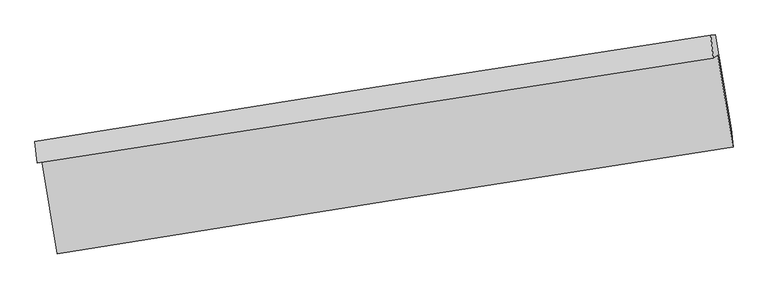
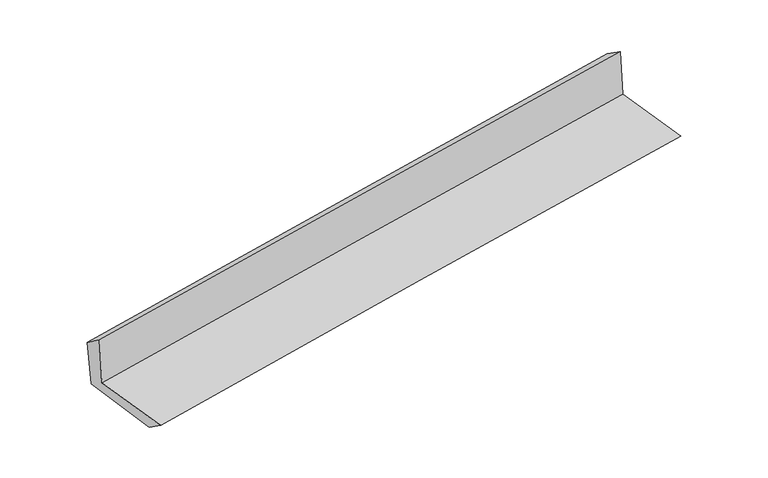
"""IFC4 building model written with IfcOpenShell, lengths in millimetres: proxy geometry."""

import ifcopenshell
import ifcopenshell.guid

model = None  # the IFC model being written
_history = None  # IfcOwnerHistory: only IFC2X3 demands one
_inside = {}  # id of a spatial element -> (the spatial element, [elements in it])
_under = {}  # id of a project, library or spatial element -> (it, [spatial elements below it])
_declared = {}  # id of a project -> (the project, [libraries it declares])
_typed = {}  # id of a type object -> (the type object, [elements of that type])
_made_of = {}  # id of a material, layer set ... -> (it, [elements and type objects made of it])


def new_model(schema):
    """Start an empty IFC model of exactly this schema.

    Asked for "IFC4X3", IfcOpenShell would pick the latest addendum, in which some entities
    have other attributes; the version numbers below select the first issue.
    IFC2X3 requires an IfcOwnerHistory on every rooted entity: one is made here for all.
    """
    global model, _history
    if schema == "IFC4X3":
        model = ifcopenshell.file(schema_version=(4, 3, 0, 0))
    else:
        model = ifcopenshell.file(schema=schema)
    _inside.clear()
    _under.clear()
    _declared.clear()
    _typed.clear()
    _made_of.clear()
    _history = None
    if model.schema == "IFC2X3":
        org = make("IfcOrganization", Name="unknown")
        user = make(
            "IfcPersonAndOrganization",
            ThePerson=make("IfcPerson", FamilyName="unknown"),
            TheOrganization=org,
        )
        app = make(
            "IfcApplication",
            ApplicationDeveloper=org,
            Version="unknown",
            ApplicationFullName="unknown",
            ApplicationIdentifier="unknown",
        )
        _history = make(
            "IfcOwnerHistory",
            OwningUser=user,
            OwningApplication=app,
            ChangeAction="ADDED",
            CreationDate=0,
        )
    return model


def make(cls, **values):
    """One entity of the class cls with the attributes given. An attribute that is None is left unset."""
    return model.create_entity(
        cls, **{name: value for name, value in values.items() if value is not None}
    )


def rooted(cls, **values):
    """An entity with a GlobalId (a new one), such as an element, a storey or a relation."""
    return make(cls, GlobalId=ifcopenshell.guid.new(), OwnerHistory=_history, **values)


def si_unit(unit_type, name, prefix=None):
    """IfcSIUnit, for example si_unit("LENGTHUNIT", "METRE", prefix="MILLI")."""
    return make("IfcSIUnit", UnitType=unit_type, Prefix=prefix, Name=name)


def assignment(units):
    """IfcUnitAssignment: the units of a project."""
    return None if units is None else make("IfcUnitAssignment", Units=units)


def point(xyz):
    """IfcCartesianPoint."""
    return None if xyz is None else make("IfcCartesianPoint", Coordinates=xyz)


def direction(xyz):
    """IfcDirection."""
    return None if xyz is None else make("IfcDirection", DirectionRatios=xyz)


def frame(location, z_axis=None, x_axis=None):
    """IfcAxis2Placement3D, a coordinate frame: its origin and axes. An axis left out is left unset."""
    return make(
        "IfcAxis2Placement3D",
        Location=point(location),
        Axis=direction(z_axis),
        RefDirection=direction(x_axis),
    )


def origin():
    """The frame at (0, 0, 0) with its axes left unset."""
    return frame((0.0, 0.0, 0.0))


def place(relative_to, where):
    """IfcLocalPlacement: puts the frame where relative to a parent placement (None: the world)."""
    return make(
        "IfcLocalPlacement", PlacementRelTo=relative_to, RelativePlacement=where
    )


def context(
    kind, dimensions, precision=None, world=None, true_north=None, identifier=None
):
    """IfcGeometricRepresentationContext, for example the 3D "Model" context."""
    return make(
        "IfcGeometricRepresentationContext",
        ContextIdentifier=identifier,
        ContextType=kind,
        CoordinateSpaceDimension=dimensions,
        Precision=precision,
        WorldCoordinateSystem=world,
        TrueNorth=true_north,
    )


def project(units=None, contexts=None):
    """IfcProject with its units and contexts."""
    return rooted(
        "IfcProject",
        Name="project",
        RepresentationContexts=contexts,
        UnitsInContext=assignment(units),
    )


def spatial(cls, under=None, at=None, **own):
    """A site, building, storey or space (cls), placed at a placement, below another one or the project."""
    s = rooted(cls, ObjectPlacement=at, **own)
    if under is not None:
        _under.setdefault(under.id(), (under, []))[1].append(s)
    return s


def shape(context_of_items, identifier, shape_type, items):
    """IfcShapeRepresentation: the items that make up one representation, for example the "Body"."""
    return make(
        "IfcShapeRepresentation",
        ContextOfItems=context_of_items,
        RepresentationIdentifier=identifier,
        RepresentationType=shape_type,
        Items=items,
    )


def source(mapping_origin, context_of_items, identifier, shape_type, items):
    """IfcRepresentationMap: a shape defined once, which mapped items show again and again."""
    return make(
        "IfcRepresentationMap",
        MappingOrigin=mapping_origin,
        MappedRepresentation=shape(context_of_items, identifier, shape_type, items),
    )


def transform(
    local_origin,
    x_axis=None,
    y_axis=None,
    z_axis=None,
    scale=None,
    scale2=None,
    scale3=None,
    uniform=True,
):
    """IfcCartesianTransformationOperator3D, or its non-uniform kind. x_axis, y_axis, z_axis: its Axis1, 2, 3."""
    if uniform:
        return make(
            "IfcCartesianTransformationOperator3D",
            Axis1=direction(x_axis),
            Axis2=direction(y_axis),
            LocalOrigin=point(local_origin),
            Scale=scale,
            Axis3=direction(z_axis),
        )
    return make(
        "IfcCartesianTransformationOperator3DnonUniform",
        Axis1=direction(x_axis),
        Axis2=direction(y_axis),
        LocalOrigin=point(local_origin),
        Scale=scale,
        Axis3=direction(z_axis),
        Scale2=scale2,
        Scale3=scale3,
    )


def mapped(mapping_source, mapping_target):
    """IfcMappedItem: shows the shape of a source again, moved by a transform."""
    return make(
        "IfcMappedItem", MappingSource=mapping_source, MappingTarget=mapping_target
    )


def made_of(thing, what):
    """Note that an element or type object is made of a material, layer set ...; save() writes the relation."""
    if what is not None:
        _made_of.setdefault(what.id(), (what, []))[1].append(thing)
    return thing


def element(
    cls,
    number,
    at=None,
    inside=None,
    cuts=None,
    type_object=None,
    material=None,
    context=None,
    identifier="Body",
    shape_type=None,
    held_by="IfcProductDefinitionShape",
    body=None,
    shapes=None,
    **own,
):
    """One element of the class cls, such as IfcWall. Its Tag is "e" and its number.

    at: its placement. inside: the storey or other place that contains it. cuts: it is an
    opening in that element (IfcRelVoidsElement). A single representation is given by context,
    identifier, shape_type and body (its items); several are given by shapes. held_by: the class
    of the entity that holds the representations. save() writes the other relations.
    """
    e = rooted(cls, Tag="e%d" % number, ObjectPlacement=at, **own)
    if body is not None:
        shapes = [shape(context, identifier, shape_type, body)]
    if shapes is not None:
        e.Representation = make(held_by, Representations=shapes)
    if inside is not None:
        _inside.setdefault(inside.id(), (inside, []))[1].append(e)
    if cuts is not None:
        rooted(
            "IfcRelVoidsElement", RelatingBuildingElement=cuts, RelatedOpeningElement=e
        )
    if type_object is not None:
        _typed.setdefault(type_object.id(), (type_object, []))[1].append(e)
    return made_of(e, material)


def aggregate(whole, parts):
    """IfcRelAggregates: a whole, such as a stair, and the parts it consists of."""
    return rooted("IfcRelAggregates", RelatingObject=whole, RelatedObjects=parts)


def save(model, path):
    """Write the relations noted so far, then the file.

    IfcRelAggregates (storeys below a building ...), IfcRelContainedInSpatialStructure (elements
    in a storey), IfcRelDefinesByType, IfcRelAssociatesMaterial and IfcRelDeclares: one each for
    every whole, place, type object, material and project.
    """
    for whole, parts in _under.values():
        aggregate(whole, parts)
    for where, things in _inside.values():
        rooted(
            "IfcRelContainedInSpatialStructure",
            RelatedElements=things,
            RelatingStructure=where,
        )
    for kind, things in _typed.values():
        rooted("IfcRelDefinesByType", RelatedObjects=things, RelatingType=kind)
    for what, things in _made_of.values():
        rooted("IfcRelAssociatesMaterial", RelatedObjects=things, RelatingMaterial=what)
    for by, libraries in _declared.values():
        rooted("IfcRelDeclares", RelatingContext=by, RelatedDefinitions=libraries)
    model.write(path)


def plane_surface(at):
    """IfcPlane: the flat surface through the origin of the frame at, square to its z axis."""
    return make("IfcPlane", Position=at)


def spline_curve(degree, points, multiplicities, knots, weights=None):
    """IfcBSplineCurveWithKnots; with weights, IfcRationalBSplineCurveWithKnots."""
    own = dict(
        Degree=degree,
        ControlPointsList=[point(p) for p in points],
        CurveForm="UNSPECIFIED",
        ClosedCurve=False,
        SelfIntersect=False,
        KnotMultiplicities=multiplicities,
        Knots=knots,
        KnotSpec="UNSPECIFIED",
    )
    if weights is None:
        return make("IfcBSplineCurveWithKnots", **own)
    return make("IfcRationalBSplineCurveWithKnots", WeightsData=weights, **own)


def spline_surface(u_degree, v_degree, points, u_multiplicities, v_multiplicities, u_knots, v_knots, weights=None):
    """IfcBSplineSurfaceWithKnots; with weights, IfcRationalBSplineSurfaceWithKnots. points: one row for each step in u."""
    own = dict(
        UDegree=u_degree,
        VDegree=v_degree,
        ControlPointsList=[[point(p) for p in row] for row in points],
        SurfaceForm="UNSPECIFIED",
        UClosed=False,
        VClosed=False,
        SelfIntersect=False,
        UMultiplicities=u_multiplicities,
        VMultiplicities=v_multiplicities,
        UKnots=u_knots,
        VKnots=v_knots,
        KnotSpec="UNSPECIFIED",
    )
    if weights is None:
        return make("IfcBSplineSurfaceWithKnots", **own)
    return make("IfcRationalBSplineSurfaceWithKnots", WeightsData=weights, **own)


def advanced_brep(points, edges, surfaces, faces):
    """IfcAdvancedBrep: a solid bounded by faces that lie on surfaces and meet in shared edges.

    An edge is (start, end): straight between two places in points (the first is 0);
    or (start, end, curve); or (start, end, curve, False) where it runs against its curve.
    A face is (place in surfaces, loops), or (place, loops, False) where it looks against
    its surface's normal. A loop lists edges by number (the first is 1), with a minus sign
    where the edge is run from its end to its start. The first loop is the outer one.
    """
    corners = [point(p) for p in points]
    vertices = [make("IfcVertexPoint", VertexGeometry=c) for c in corners]
    made = []
    for start, end, *more in edges:
        made.append(
            make(
                "IfcEdgeCurve",
                EdgeStart=vertices[start],
                EdgeEnd=vertices[end],
                EdgeGeometry=more[0] if more else make("IfcPolyline", Points=[corners[start], corners[end]]),
                SameSense=more[1] if len(more) > 1 else True,
            )
        )
    hull = []
    for where, loops, *sense in faces:
        bounds = []
        for j, loop in enumerate(loops):
            ring = [make("IfcOrientedEdge", EdgeElement=made[abs(k) - 1], Orientation=k > 0) for k in loop]
            bounds.append(
                make(
                    "IfcFaceOuterBound" if j == 0 else "IfcFaceBound",
                    Bound=make("IfcEdgeLoop", EdgeList=ring),
                    Orientation=True,
                )
            )
        hull.append(make("IfcAdvancedFace", Bounds=bounds, FaceSurface=surfaces[where], SameSense=sense[0] if sense else True))
    return make("IfcAdvancedBrep", Outer=make("IfcClosedShell", CfsFaces=hull))


def generic_models_f12b07fa(model_context):
    return source(origin(), model_context, "Body", "AdvancedBrep", [
        advanced_brep(
        [(-2391.9248362, -1866.7848212, 1671.0680365), (-2283.4507777, -2524.7119823, 1659.2106763), (2449.7480076, -1776.5139129, 2083.9847672), (2342.1989223, -1130.8800704, 2095.5276961), (-2424.3101727, -1888.2764128, 2072.1055966), (2310.2431072, -1151.9769761, 2491.2089291), (-2439.3429043, -1738.2725845, 1966.4464693), (2293.4431047, -990.2747102, 2380.91925), (-2405.6409988, -1736.9331932, 1587.4580947), (2326.2757233, -988.9677032, 2011.903398), (-2297.6623473, -2384.0935679, 1561.4964828), (2436.9537396, -1645.5834148, 1985.6530388)],
        [
            (0, 1),
            (1, 2, spline_curve(3, [(-2283.4507777, -2524.7119823, 1659.2106763), (-1495.597164889, -2396.777396428, 1732.903445283), (-707.332054438, -2270.474861949, 1805.139510532), (870.400478288, -2021.073935155, 1946.732275931), (1659.868295911, -1897.97711329, 2016.087574007), (2449.7480076, -1776.5139129, 2083.9847672)], [4, 2, 4], [0.0, 7.888945454891737, 15.781685112457954])),
            (2, 3),
            (3, 0, spline_curve(3, [(2342.1989223, -1130.8800704, 2095.5276961), (1552.876053128, -1254.327415037, 2027.614106793), (763.609471437, -1377.391134965, 1958.276827967), (-814.431727377, -1622.692349784, 1816.78890609), (-1603.206398533, -1744.930213508, 1744.63963207), (-2391.9248362, -1866.7848212, 1671.0680365)], [4, 2, 4], [0.0, 7.892739657566216, 15.781685112457954])),
            (4, 0),
            (3, 5),
            (5, 4, spline_curve(3, [(2310.2431072, -1151.9769761, 2491.2089291), (1520.986600217, -1275.359360363, 2422.401502209), (731.717381177, -1398.423513875, 2353.063986947), (-846.46705788, -1643.85635363, 2213.36236645), (-1635.382265205, -1766.225345552, 2142.998770984), (-2424.3101727, -1888.2764128, 2072.1055966)], [4, 2, 4], [0.0, 7.891915333699696, 15.780036860994391])),
            (6, 4),
            (5, 7),
            (7, 6, spline_curve(3, [(2293.4431047, -990.2747102, 2380.91925), (1503.99041423, -1111.689733252, 2311.348334216), (714.770470305, -1234.745781467, 2242.015231114), (-862.824642293, -1484.07998348, 2103.857866217), (-1651.200034647, -1610.356560069, 2035.033375541), (-2439.3429043, -1738.2725845, 1966.4464693)], [4, 2, 4], [0.0, 7.891641820411095, 15.779489965900666])),
            (8, 6),
            (7, 9),
            (9, 8, spline_curve(3, [(2326.2757233, -988.9677032, 2011.903398), (1536.671521439, -1110.38920093, 1943.995184225), (747.448315371, -1233.445785724, 1874.661789099), (-829.856892457, -1482.769187418, 1733.178651207), (-1617.939260281, -1609.034432749, 1661.030278776), (-2405.6409988, -1736.9331932, 1587.4580947)], [4, 2, 4], [0.0, 7.891392972787488, 15.778992390279633])),
            (10, 8),
            (9, 11),
            (11, 10, spline_curve(3, [(2436.9537396, -1645.5834148, 1985.6530388), (1647.390051379, -1768.649333097, 1917.659979622), (857.96204194, -1891.739606859, 1848.308245971), (-720.243190044, -2137.909681401, 1706.92142138), (-1509.020542928, -2260.989458738, 1634.88763637), (-2297.6623473, -2384.0935679, 1561.4964828)], [4, 2, 4], [0.0, 7.892357923187065, 15.780921827207237])),
            (1, 10),
            (11, 2),
        ],
        [
            spline_surface(3, 3, [[(-2391.9248362, -1866.7848212, 1671.0680365), (-1603.20639843, -1744.930213607, 1744.639632038), (-814.431727335, -1622.692349799, 1816.78890619), (763.609471394, -1377.39113495, 1958.276827866), (1552.876053133, -1254.327415145, 2027.614106892), (2342.1989223, -1130.8800704, 2095.5276961)], [(-2355.766816682, -2086.093874901, 1667.115583105), (-1567.336653926, -1962.212607882, 1740.727569771), (-778.731836338, -1838.619853841, 1812.905774344), (799.206473655, -1591.952068363, 1954.428643854), (1588.540134104, -1468.877314496, 2023.771929266), (2378.048617425, -1346.091351214, 2091.680053127)], [(-2319.608797218, -2305.402928599, 1663.163129695), (-1531.466909478, -2179.495002154, 1736.815507488), (-743.031945333, -2054.547357878, 1809.022642489), (834.803475925, -1806.513001771, 1950.580459833), (1624.204215, -1683.427213906, 2019.929751659), (2413.898312475, -1561.302632086, 2087.832410173)], [(-2283.4507777, -2524.7119823, 1659.2106763), (-1495.597164974, -2396.777396429, 1732.90344522), (-707.332054336, -2270.47486192, 1805.139510642), (870.400478186, -2021.073935185, 1946.732275821), (1659.86829597, -1897.977113256, 2016.087574032), (2449.7480076, -1776.5139129, 2083.9847672)]], [4, 4], [4, 2, 4], [0.0, 2.147738057197331], [0.0, 7.888945454891737, 15.781685112457954]),
            spline_surface(3, 3, [[(-2424.3101727, -1888.2764128, 2072.1055966), (-1635.382265226, -1766.225345558, 2142.998770961), (-846.467057772, -1643.856353595, 2213.362366523), (731.717381069, -1398.423513909, 2353.063986875), (1520.986600271, -1275.359360317, 2422.401502162), (2310.2431072, -1151.9769761, 2491.2089291)], [(-2413.515060551, -1881.11254895, 1938.426409896), (-1624.656976311, -1759.126968257, 2010.212391316), (-835.788614281, -1636.80168567, 2081.171213062), (742.348077856, -1391.412720929, 2221.468267189), (1531.616417885, -1268.348711956, 2290.805703753), (2320.89504556, -1144.94467423, 2359.315184781)], [(-2402.719948349, -1873.94868505, 1804.747223204), (-1613.931687345, -1752.028590907, 1877.426011684), (-825.110170826, -1629.747017725, 1948.980059651), (752.978774607, -1384.40192793, 2089.872547552), (1542.246235519, -1261.338063506, 2159.209905301), (2331.54698394, -1137.91237227, 2227.421440419)], [(-2391.9248362, -1866.7848212, 1671.0680365), (-1603.20639843, -1744.930213607, 1744.639632038), (-814.431727335, -1622.692349799, 1816.78890619), (763.609471394, -1377.39113495, 1958.276827866), (1552.876053133, -1254.327415145, 2027.614106892), (2342.1989223, -1130.8800704, 2095.5276961)]], [4, 4], [4, 2, 4], [0.0, 1.3042292949936167], [0.0, 7.888121527294695, 15.780036860994391]),
            spline_surface(3, 3, [[(-2439.3429043, -1738.2725845, 1966.4464693), (-1651.20003468, -1610.356560093, 2035.033375643), (-862.824642306, -1484.079983555, 2103.857866173), (714.770470318, -1234.745781391, 2242.015231157), (1503.990414259, -1111.689733218, 2311.348334183), (2293.4431047, -990.2747102, 2380.91925)], [(-2434.331993751, -1788.273860576, 2001.666178397), (-1645.927444847, -1662.312821891, 2071.021840746), (-857.372114119, -1537.33877359, 2140.359366288), (720.419440577, -1289.305025585, 2279.031483061), (1509.655809591, -1166.246275582, 2348.366056826), (2299.043105528, -1044.175465497, 2417.682476351)], [(-2429.321083249, -1838.275136724, 2036.885887503), (-1640.654855059, -1714.26908376, 2107.010305858), (-851.919585959, -1590.597563561, 2176.860866408), (726.06841081, -1343.864269715, 2316.047734971), (1515.321204939, -1220.802817953, 2385.383779518), (2304.643106372, -1098.076220803, 2454.445702749)], [(-2424.3101727, -1888.2764128, 2072.1055966), (-1635.382265226, -1766.225345558, 2142.998770961), (-846.467057772, -1643.856353595, 2213.362366523), (731.717381069, -1398.423513909, 2353.063986875), (1520.986600271, -1275.359360317, 2422.401502162), (2310.2431072, -1151.9769761, 2491.2089291)]], [4, 4], [4, 2, 4], [0.0, 0.6445348464591851], [0.0, 7.887848145489571, 15.779489965900666]),
            spline_surface(3, 3, [[(-2405.6409988, -1736.9331932, 1587.4580947), (-1617.939260409, -1609.034432659, 1661.030278714), (-829.856892456, -1482.769187389, 1733.178651312), (747.448315369, -1233.445785753, 1874.661788994), (1536.671521432, -1110.38920097, 1943.995184129), (2326.2757233, -988.9677032, 2011.903398)], [(-2416.874967307, -1737.379656995, 1713.787552908), (-1629.026185173, -1609.475141832, 1785.697977699), (-840.846142423, -1483.206119424, 1856.738389591), (736.555700335, -1233.879117612, 1997.112936374), (1525.777819034, -1110.822711694, 2066.446234144), (2315.331517094, -989.403372175, 2134.908681997)], [(-2428.108935793, -1737.826120705, 1840.117011092), (-1640.113109917, -1609.91585092, 1910.365676658), (-851.835392339, -1483.64305152, 1980.298127894), (725.663085352, -1234.312449532, 2119.564083777), (1514.884116656, -1111.256222494, 2188.897284168), (2304.387310906, -989.839041225, 2257.913966003)], [(-2439.3429043, -1738.2725845, 1966.4464693), (-1651.20003468, -1610.356560093, 2035.033375643), (-862.824642306, -1484.079983555, 2103.857866173), (714.770470318, -1234.745781391, 2242.015231157), (1503.990414259, -1111.689733218, 2311.348334183), (2293.4431047, -990.2747102, 2380.91925)]], [4, 4], [4, 2, 4], [0.0, 1.2154681447042455], [0.0, 7.8875994174921455, 15.778992390279633]),
            spline_surface(3, 3, [[(-2297.6623473, -2384.0935679, 1561.4964828), (-1509.020542894, -2260.989458667, 1634.887636353), (-720.243189994, -2137.909681345, 1706.921421365), (857.962041889, -1891.739606915, 1848.308245986), (1647.390051291, -1768.649333177, 1917.659979675), (2436.9537396, -1645.5834148, 1985.6530388)], [(-2333.65523114, -2168.373443001, 1570.150353424), (-1545.326782072, -2043.671116666, 1643.601850464), (-756.781090814, -1919.529516701, 1715.673831378), (821.12413305, -1672.308333202, 1857.092760353), (1610.483874675, -1549.229289122, 1926.438381185), (2400.061067504, -1426.711510947, 1994.403158558)], [(-2369.64811496, -1952.653318099, 1578.804224076), (-1581.633021231, -1826.352774661, 1652.316064603), (-793.318991636, -1701.149352033, 1724.426241299), (784.286224209, -1452.877059466, 1865.877274627), (1573.577698048, -1329.809245025, 1935.21678262), (2363.168395396, -1207.839607053, 2003.153278242)], [(-2405.6409988, -1736.9331932, 1587.4580947), (-1617.939260409, -1609.034432659, 1661.030278714), (-829.856892456, -1482.769187389, 1733.178651312), (747.448315369, -1233.445785753, 1874.661788994), (1536.671521432, -1110.38920097, 1943.995184129), (2326.2757233, -988.9677032, 2011.903398)]], [4, 4], [4, 2, 4], [0.0, 2.186340638149634], [0.0, 7.888563904020172, 15.780921827207237]),
            spline_surface(3, 3, [[(-2283.4507777, -2524.7119823, 1659.2106763), (-1495.597164974, -2396.777396429, 1732.90344522), (-707.332054336, -2270.47486192, 1805.139510642), (870.400478186, -2021.073935185, 1946.732275821), (1659.86829597, -1897.977113256, 2016.087574032), (2449.7480076, -1776.5139129, 2083.9847672)], [(-2288.18796757, -2477.839177477, 1626.63927847), (-1500.071624284, -2351.514750485, 1700.231508934), (-711.635766223, -2226.286468378, 1772.400147542), (866.254332753, -1977.962492411, 1913.924265868), (1655.708881067, -1854.867853234, 1983.2783759), (2445.48325159, -1732.870413538, 2051.207524386)], [(-2292.92515743, -2430.966372723, 1594.06788063), (-1504.546083584, -2306.252104611, 1667.559572639), (-715.939478106, -2182.098074887, 1739.660784465), (862.108187323, -1934.851049688, 1881.116255939), (1651.549466194, -1811.758593199, 1950.469177808), (2441.21849561, -1689.226914162, 2018.430281614)], [(-2297.6623473, -2384.0935679, 1561.4964828), (-1509.020542894, -2260.989458667, 1634.887636353), (-720.243189994, -2137.909681345, 1706.921421365), (857.962041889, -1891.739606915, 1848.308245986), (1647.390051291, -1768.649333177, 1917.659979675), (2436.9537396, -1645.5834148, 1985.6530388)]], [4, 4], [4, 2, 4], [0.0, 0.5388505882398436], [0.0, 7.889652009541704, 15.783098561576633]),
            plane_surface(frame((2359.8104341, -1280.6994646, 2174.8661799), z_axis=(0.9828332308949298, 0.16214577866346433, 0.08802037667638346), x_axis=(-0.08862282037610027, -0.0035279135420022423, 0.9960590090625282))),
            plane_surface(frame((-2373.7220062, -2023.1787603, 1752.964226), z_axis=(-0.9831057709777978, -0.16050125291626238, -0.0879908568117165), x_axis=(-0.16265054614809973, 0.986523538480308, 0.01777942243204923))),
        ],
        [
            (0, [[1, 2, 3, 4]]),
            (1, [[5, -4, 6, 7]]),
            (2, [[8, -7, 9, 10]]),
            (3, [[11, -10, 12, 13]]),
            (4, [[14, -13, 15, 16]]),
            (5, [[17, -16, 18, -2]]),
            (6, [[-12, -9, -6, -3, -18, -15]]),
            (7, [[-1, -5, -8, -11, -14, -17]]),
        ],
    ),
    ])


if __name__ == "__main__":
    model = new_model("IFC4")
    model_context = context("Model", 3, world=origin())
    ifc_project = project(units=[si_unit("LENGTHUNIT", "METRE", prefix="MILLI")], contexts=[model_context])
    site = spatial("IfcSite", under=ifc_project)
    building = spatial("IfcBuilding", under=site)
    placement = place(None, origin())
    generic_models_shape = generic_models_f12b07fa(model_context)
    element("IfcBuildingElementProxy", 1, Name="Generic Models", at=placement, inside=building, context=model_context, shape_type="MappedRepresentation", body=[
        mapped(generic_models_shape, transform((0.0, 0.0, 0.0), x_axis=(1.0, 0.0, 0.0), y_axis=(0.0, 1.0, 0.0), z_axis=(0.0, 0.0, 1.0))),
    ])
    save(model, "model.ifc")
